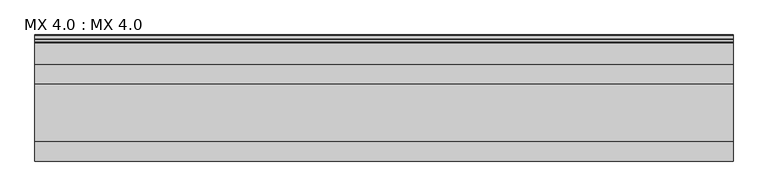
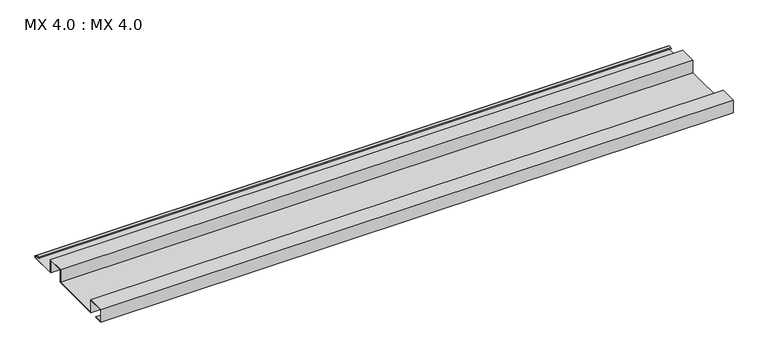
"""IFC4 building model written with IfcOpenShell, lengths in millimetres: proxy geometry, MX 4.0 : MX 4.0."""

from ifc_helpers import new_model, si_unit, point, frame, frame_2d, origin, place, context, project, spatial, polyline, circle_curve, trimmed, segment, composite_curve, outline, extrude, source, transform, mapped, element, save


def mx_4_0_mx_4_0_996d9a6d(model_context):
    return source(origin(), model_context, "Body", "SweptSolid", [
        extrude(outline(composite_curve([segment(polyline([(0.0, 0.0), (0.0, 38.0), (50.0, 38.0), (50.0, 0.0), (200.0, 0.0), (200.0, 38.0), (250.0, 38.0), (250.0, 0.0), (325.0510156, 0.0)]), True, "CONTINUOUS"), segment(trimmed(circle_curve(frame_2d((324.3094696, 1.9153551)), 2.0538928), [point((325.0510156, 0.0))], [point((325.1748462, 3.778041))], True, "CARTESIAN"), True, "CONTINUOUS"), segment(polyline([(325.1748462, 3.778041), (308.7874714, 6.923107)]), True, "CONTINUOUS"), segment(trimmed(circle_curve(frame_2d((309.4078886, 8.6005442)), 1.7884947), [point((308.7874714, 6.923107))], [point((308.9525789, 10.3301125))], False, "CARTESIAN"), True, "CONTINUOUS"), segment(polyline([(308.9525789, 10.3301125), (316.459338, 11.6715995), (316.635255, 10.6871945), (309.1762081, 9.3542338)]), True, "CONTINUOUS"), segment(trimmed(circle_curve(frame_2d((309.4078886, 8.6005442)), 0.7884947), [point((309.1762081, 9.3542338))], [point((309.0735117, 7.8864603))], True, "CARTESIAN"), True, "CONTINUOUS"), segment(polyline([(309.0735117, 7.8864603), (325.4722719, 4.7392091)]), True, "CONTINUOUS"), segment(trimmed(circle_curve(frame_2d((324.3094696, 1.9153551)), 3.0538928), [point((325.4722719, 4.7392091))], [point((325.2188462, -1.0))], False, "CARTESIAN"), True, "CONTINUOUS"), segment(polyline([(325.2188462, -1.0), (249.0, -1.0), (249.0, 37.0), (201.0, 37.0), (201.0, -1.0), (49.0, -1.0), (49.0, 37.0), (1.0, 37.0), (1.0, 1.0), (25.0, 1.0), (25.0, 0.0), (0.0, 0.0)]), True, "CONTINUOUS")], self_intersect=False)), frame((0.0, 0.0, 0.0), z_axis=(1.0, 0.0, 0.0), x_axis=(0.0, 1.0, 0.0)), (0.0, 0.0, 1.0), 1812.2237727),
    ])


if __name__ == "__main__":
    model = new_model("IFC4")
    model_context = context("Model", 3, world=origin())
    ifc_project = project(units=[si_unit("LENGTHUNIT", "METRE", prefix="MILLI")], contexts=[model_context])
    site = spatial("IfcSite", under=ifc_project)
    building = spatial("IfcBuilding", under=site)
    placement = place(None, origin())
    mx_4_0_mx_4_0_shape = mx_4_0_mx_4_0_996d9a6d(model_context)
    element("IfcBuildingElementProxy", 1, Name="MX 4.0 : MX 4.0", ObjectType="MX 4.0 : MX 4.0", at=placement, inside=building, context=model_context, shape_type="MappedRepresentation", body=[
        mapped(mx_4_0_mx_4_0_shape, transform((0.0, 0.0, 0.0), x_axis=(1.0, 0.0, 0.0), y_axis=(0.0, 1.0, 0.0), z_axis=(0.0, 0.0, 1.0))),
    ])
    save(model, "model.ifc")
